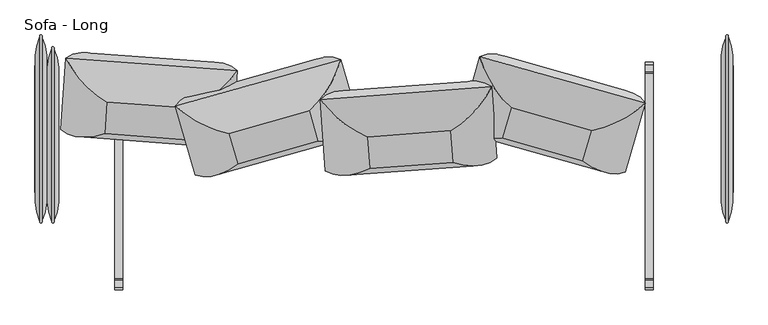
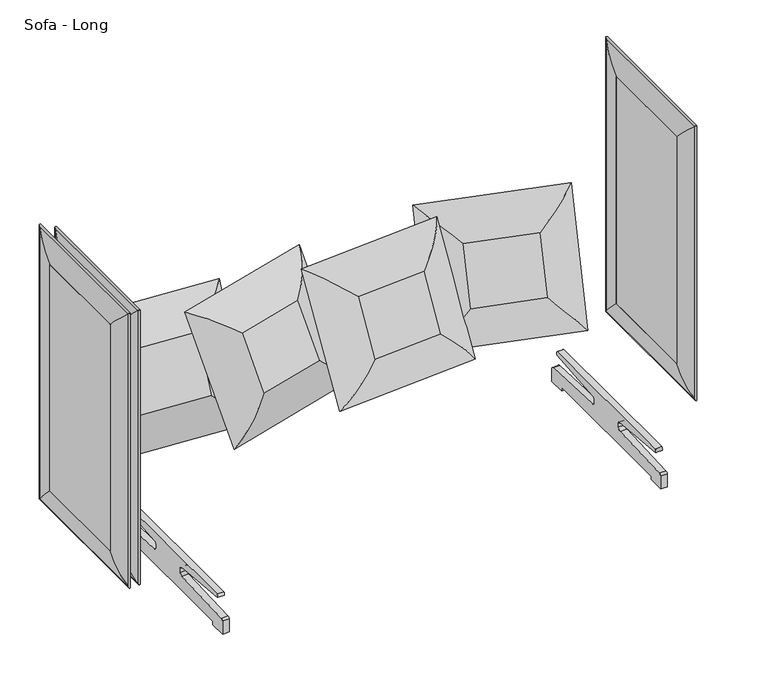
"""IFC4 building model written with IfcOpenShell, lengths in millimetres: furniture geometry, Sofa - Long."""

from ifc_helpers import new_model, si_unit, point, frame, frame_2d, origin, place, context, project, spatial, polyline, circle_curve, ellipse_curve, trimmed, segment, composite_curve, outline, extrude, source, transform, mapped, element, save
from ifc_brep_helpers import plane_surface, cylinder_surface, advanced_brep


def sofa_long_35b5e8c2(model_context):
    return source(origin(), model_context, "Body", "SolidModel", [
        advanced_brep(
        [(1074.0970019, -73.025, 1163.5628297), (1074.0970019, -73.025, 238.959069), (1088.841915, -166.1563317, 145.8277373), (1088.841915, -166.1563317, 1256.6941614), (1110.3029981, -73.025, 1163.5628297), (1110.3029981, -73.025, 238.959069), (1095.558085, -166.1563317, 1256.6941614), (1095.558085, -166.1563317, 145.8277373), (1074.0970019, 330.2, 238.959069), (1088.841915, 423.3313317, 145.8277373), (1110.3029981, 330.2, 238.959069), (1095.558085, 423.3313317, 145.8277373), (1074.0970019, 330.2, 1163.5628297), (1088.841915, 423.3313317, 1256.6941614), (1110.3029981, 330.2, 1163.5628297), (1095.558085, 423.3313317, 1256.6941614)],
        [
            (0, 1),
            (1, 2, ellipse_curve(frame((1257.4943158, -91.7217286, 220.2623404), z_axis=(0.0, -0.7071067811865475, 0.7071067811865475), x_axis=(0.0, 0.7071067811865474, 0.7071067811865476)), 260.707278, 184.3478842)),
            (2, 3),
            (3, 0, ellipse_curve(frame((1257.4943158, -91.7217286, 1182.2595584), z_axis=(0.0, -0.7071067811865475, -0.7071067811865475), x_axis=(0.0, -0.7071067811865474, 0.7071067811865476)), 260.707278, 184.3478842)),
            (4, 5),
            (5, 1),
            (0, 4),
            (6, 7),
            (7, 5, ellipse_curve(frame((926.9056842, -91.7217286, 220.2623404), z_axis=(0.0, -0.7071067811865475, 0.7071067811865475), x_axis=(0.0, 0.7071067811865474, 0.7071067811865476)), 260.707278, 184.3478842)),
            (4, 6, ellipse_curve(frame((926.9056842, -91.7217286, 1182.2595584), z_axis=(0.0, -0.7071067811865475, -0.7071067811865475), x_axis=(0.0, -0.7071067811865474, 0.7071067811865476)), 260.707278, 184.3478842)),
            (2, 7, ellipse_curve(frame((1092.2, -167.7744455, 144.2096235), z_axis=(0.0, -0.7071067811865475, 0.7071067811865475), x_axis=(0.0, 0.7071067811865474, 0.7071067811865476)), 5.2716273, 3.7276034)),
            (6, 3, ellipse_curve(frame((1092.2, -167.7744455, 1258.3122753), z_axis=(0.0, -0.7071067811865475, -0.7071067811865475), x_axis=(0.0, -0.7071067811865474, 0.7071067811865476)), 5.2716273, 3.7276034)),
            (1, 8),
            (8, 9, ellipse_curve(frame((1257.4943158, 348.8967286, 220.2623404), z_axis=(0.0, -0.7071067811865475, -0.7071067811865475), x_axis=(0.0, -0.7071067811865476, 0.7071067811865474)), 260.707278, 184.3478842)),
            (9, 2),
            (5, 10),
            (10, 8),
            (7, 11),
            (11, 10, ellipse_curve(frame((926.9056842, 348.8967286, 220.2623404), z_axis=(0.0, -0.7071067811865475, -0.7071067811865475), x_axis=(0.0, -0.7071067811865476, 0.7071067811865474)), 260.707278, 184.3478842)),
            (9, 11, ellipse_curve(frame((1092.2, 424.9494455, 144.2096235), z_axis=(0.0, -0.7071067811865475, -0.7071067811865475), x_axis=(0.0, -0.7071067811865476, 0.7071067811865474)), 5.2716273, 3.7276034)),
            (8, 12),
            (12, 13, ellipse_curve(frame((1257.4943158, 348.8967286, 1182.2595584), z_axis=(0.0, 0.7071067811865475, -0.7071067811865475), x_axis=(0.0, -0.7071067811865474, -0.7071067811865476)), 260.707278, 184.3478842)),
            (13, 9),
            (10, 14),
            (14, 12),
            (11, 15),
            (15, 14, ellipse_curve(frame((926.9056842, 348.8967286, 1182.2595584), z_axis=(0.0, 0.7071067811865475, -0.7071067811865475), x_axis=(0.0, -0.7071067811865474, -0.7071067811865476)), 260.707278, 184.3478842)),
            (13, 15, ellipse_curve(frame((1092.2, 424.9494455, 1258.3122753), z_axis=(0.0, 0.7071067811865475, -0.7071067811865475), x_axis=(0.0, -0.7071067811865474, -0.7071067811865476)), 5.2716273, 3.7276034)),
            (12, 0),
            (3, 13),
            (14, 4),
            (15, 6),
        ],
        [
            cylinder_surface(frame((1257.4943158, -91.7217286, 1163.5628297), z_axis=(0.0, 0.0, 1.0), x_axis=(-1.0000000000000002, 0.0, 0.0)), 184.3478842),
            plane_surface(frame((1074.0970019, -73.025, 1163.5628297), z_axis=(0.0, 1.0, 0.0), x_axis=(0.0, 0.0, -1.0))),
            cylinder_surface(frame((926.9056842, -91.7217286, 1163.5628297), z_axis=(0.0, 0.0, 1.0), x_axis=(-1.0000000000000002, 0.0, 0.0)), 184.3478842),
            cylinder_surface(frame((1092.2, -167.7744455, 1163.5628297), z_axis=(0.0, 0.0, 1.0), x_axis=(-1.0000000000000002, 0.0, 0.0)), 3.7276034),
            cylinder_surface(frame((1257.4943158, -73.025, 220.2623404), z_axis=(0.0, -1.0000000000000002, 0.0), x_axis=(-1.0000000000000002, 0.0, 0.0)), 184.3478842),
            plane_surface(frame((1074.0970019, -73.025, 238.959069), z_axis=(0.0, 0.0, 1.0), x_axis=(0.0, 1.0, 0.0))),
            cylinder_surface(frame((926.9056842, -73.025, 220.2623404), z_axis=(0.0, -1.0000000000000002, 0.0), x_axis=(-1.0000000000000002, 0.0, 0.0)), 184.3478842),
            cylinder_surface(frame((1092.2, -73.025, 144.2096235), z_axis=(0.0, -1.0000000000000002, 0.0), x_axis=(-1.0000000000000002, 0.0, 0.0)), 3.7276034),
            cylinder_surface(frame((1257.4943158, 348.8967286, 238.959069), z_axis=(0.0, 0.0, -1.0), x_axis=(-1.0000000000000002, 0.0, 0.0)), 184.3478842),
            plane_surface(frame((1074.0970019, 330.2, 238.959069), z_axis=(0.0, -1.0, 0.0), x_axis=(0.0, 0.0, 1.0))),
            cylinder_surface(frame((926.9056842, 348.8967286, 238.959069), z_axis=(0.0, 0.0, -1.0), x_axis=(-1.0000000000000002, 0.0, 0.0)), 184.3478842),
            cylinder_surface(frame((1092.2, 424.9494455, 238.959069), z_axis=(0.0, 0.0, -1.0), x_axis=(-1.0000000000000002, 0.0, 0.0)), 3.7276034),
            cylinder_surface(frame((1257.4943158, 330.2, 1182.2595584), z_axis=(0.0, 1.0000000000000002, 0.0), x_axis=(-1.0000000000000002, 0.0, 0.0)), 184.3478842),
            plane_surface(frame((1074.0970019, 330.2, 1163.5628297), z_axis=(0.0, 0.0, -1.0), x_axis=(0.0, -1.0, 0.0))),
            cylinder_surface(frame((926.9056842, 330.2, 1182.2595584), z_axis=(0.0, 1.0000000000000002, 0.0), x_axis=(-1.0000000000000002, 0.0, 0.0)), 184.3478842),
            cylinder_surface(frame((1092.2, 330.2, 1258.3122753), z_axis=(0.0, 1.0000000000000002, 0.0), x_axis=(-1.0000000000000002, 0.0, 0.0)), 3.7276034),
        ],
        [
            (0, [[1, 2, 3, 4]]),
            (1, [[5, 6, -1, 7]]),
            (2, [[8, 9, -5, 10]]),
            (3, [[-3, 11, -8, 12]]),
            (4, [[13, 14, 15, -2]]),
            (5, [[16, 17, -13, -6]]),
            (6, [[18, 19, -16, -9]]),
            (7, [[-15, 20, -18, -11]]),
            (8, [[21, 22, 23, -14]]),
            (9, [[24, 25, -21, -17]]),
            (10, [[26, 27, -24, -19]]),
            (11, [[-23, 28, -26, -20]]),
            (12, [[29, -4, 30, -22]]),
            (13, [[31, -7, -29, -25]]),
            (14, [[32, -10, -31, -27]]),
            (15, [[-30, -12, -32, -28]]),
        ],
    ),
        extrude(outline(polyline([(1111.25, 330.2), (1111.25, -73.025), (1073.15, -73.025), (1073.15, 330.2), (1111.25, 330.2)])), frame((0.0, 0.0, 238.959069), z_axis=(0.0, 0.0, 1.0), x_axis=(1.0, 0.0, 0.0)), (0.0, 0.0, 1.0), 924.6037607),
        advanced_brep(
        [(-1035.9970019, -73.025, 1163.5628297), (-1050.741915, -166.1563317, 1256.6941614), (-1050.741915, -166.1563317, 145.8277373), (-1035.9970019, -73.025, 238.959069), (-1072.2029981, -73.025, 1163.5628297), (-1072.2029981, -73.025, 238.959069), (-1057.458085, -166.1563317, 1256.6941614), (-1057.458085, -166.1563317, 145.8277373), (-1050.741915, 385.2313317, 145.8277373), (-1035.9970019, 292.1, 238.959069), (-1072.2029981, 292.1, 238.959069), (-1057.458085, 385.2313317, 145.8277373), (-1050.741915, 385.2313317, 1256.6941614), (-1035.9970019, 292.1, 1163.5628297), (-1072.2029981, 292.1, 1163.5628297), (-1057.458085, 385.2313317, 1256.6941614)],
        [
            (0, 1, ellipse_curve(frame((-1219.3943158, -91.7217286, 1182.2595584), z_axis=(0.0, -0.7071067811865475, -0.7071067811865475), x_axis=(0.0, -0.7071067811865474, 0.7071067811865476)), 260.707278, 184.3478842)),
            (1, 2),
            (2, 3, ellipse_curve(frame((-1219.3943158, -91.7217286, 220.2623404), z_axis=(0.0, -0.7071067811865475, 0.7071067811865475), x_axis=(0.0, 0.7071067811865474, 0.7071067811865476)), 260.707278, 184.3478842)),
            (3, 0),
            (4, 0),
            (3, 5),
            (5, 4),
            (6, 4, ellipse_curve(frame((-888.8056842, -91.7217286, 1182.2595584), z_axis=(0.0, -0.7071067811865475, -0.7071067811865475), x_axis=(0.0, -0.7071067811865474, 0.7071067811865476)), 260.707278, 184.3478842)),
            (5, 7, ellipse_curve(frame((-888.8056842, -91.7217286, 220.2623404), z_axis=(0.0, -0.7071067811865475, 0.7071067811865475), x_axis=(0.0, 0.7071067811865474, 0.7071067811865476)), 260.707278, 184.3478842)),
            (7, 6),
            (1, 6, ellipse_curve(frame((-1054.1, -167.7744455, 1258.3122753), z_axis=(0.0, -0.7071067811865475, -0.7071067811865475), x_axis=(0.0, -0.7071067811865474, 0.7071067811865476)), 5.2716273, 3.7276034)),
            (7, 2, ellipse_curve(frame((-1054.1, -167.7744455, 144.2096235), z_axis=(0.0, -0.7071067811865475, 0.7071067811865475), x_axis=(0.0, 0.7071067811865474, 0.7071067811865476)), 5.2716273, 3.7276034)),
            (2, 8),
            (8, 9, ellipse_curve(frame((-1219.3943158, 310.7967286, 220.2623404), z_axis=(0.0, -0.7071067811865475, -0.7071067811865475), x_axis=(0.0, -0.7071067811865476, 0.7071067811865474)), 260.707278, 184.3478842)),
            (9, 3),
            (9, 10),
            (10, 5),
            (10, 11, ellipse_curve(frame((-888.8056842, 310.7967286, 220.2623404), z_axis=(0.0, -0.7071067811865475, -0.7071067811865475), x_axis=(0.0, -0.7071067811865476, 0.7071067811865474)), 260.707278, 184.3478842)),
            (11, 7),
            (11, 8, ellipse_curve(frame((-1054.1, 386.8494455, 144.2096235), z_axis=(0.0, -0.7071067811865475, -0.7071067811865475), x_axis=(0.0, -0.7071067811865476, 0.7071067811865474)), 5.2716273, 3.7276034)),
            (8, 12),
            (12, 13, ellipse_curve(frame((-1219.3943158, 310.7967286, 1182.2595584), z_axis=(0.0, 0.7071067811865475, -0.7071067811865475), x_axis=(0.0, -0.7071067811865474, -0.7071067811865476)), 260.707278, 184.3478842)),
            (13, 9),
            (13, 14),
            (14, 10),
            (14, 15, ellipse_curve(frame((-888.8056842, 310.7967286, 1182.2595584), z_axis=(0.0, 0.7071067811865475, -0.7071067811865475), x_axis=(0.0, -0.7071067811865474, -0.7071067811865476)), 260.707278, 184.3478842)),
            (15, 11),
            (15, 12, ellipse_curve(frame((-1054.1, 386.8494455, 1258.3122753), z_axis=(0.0, 0.7071067811865475, -0.7071067811865475), x_axis=(0.0, -0.7071067811865474, -0.7071067811865476)), 5.2716273, 3.7276034)),
            (12, 1),
            (0, 13),
            (4, 14),
            (6, 15),
        ],
        [
            cylinder_surface(frame((-1219.3943158, -91.7217286, 1163.5628297), z_axis=(0.0, 0.0, 1.0), x_axis=(1.0000000000000002, 0.0, 0.0)), 184.3478842),
            plane_surface(frame((-1035.9970019, -73.025, 1163.5628297), z_axis=(0.0, 1.0, 0.0), x_axis=(0.0, 0.0, -1.0))),
            cylinder_surface(frame((-888.8056842, -91.7217286, 1163.5628297), z_axis=(0.0, 0.0, 1.0), x_axis=(1.0000000000000002, 0.0, 0.0)), 184.3478842),
            cylinder_surface(frame((-1054.1, -167.7744455, 1163.5628297), z_axis=(0.0, 0.0, 1.0), x_axis=(1.0000000000000002, 0.0, 0.0)), 3.7276034),
            cylinder_surface(frame((-1219.3943158, -73.025, 220.2623404), z_axis=(0.0, -1.0000000000000002, 0.0), x_axis=(1.0000000000000002, 0.0, 0.0)), 184.3478842),
            plane_surface(frame((-1035.9970019, -73.025, 238.959069), z_axis=(0.0, 0.0, 1.0), x_axis=(0.0, 1.0, 0.0))),
            cylinder_surface(frame((-888.8056842, -73.025, 220.2623404), z_axis=(0.0, -1.0000000000000002, 0.0), x_axis=(1.0000000000000002, 0.0, 0.0)), 184.3478842),
            cylinder_surface(frame((-1054.1, -73.025, 144.2096235), z_axis=(0.0, -1.0000000000000002, 0.0), x_axis=(1.0000000000000002, 0.0, 0.0)), 3.7276034),
            cylinder_surface(frame((-1219.3943158, 310.7967286, 238.959069), z_axis=(0.0, 0.0, -1.0), x_axis=(1.0000000000000002, 0.0, 0.0)), 184.3478842),
            plane_surface(frame((-1035.9970019, 292.1, 238.959069), z_axis=(0.0, -1.0, 0.0), x_axis=(0.0, 0.0, 1.0))),
            cylinder_surface(frame((-888.8056842, 310.7967286, 238.959069), z_axis=(0.0, 0.0, -1.0), x_axis=(1.0000000000000002, 0.0, 0.0)), 184.3478842),
            cylinder_surface(frame((-1054.1, 386.8494455, 238.959069), z_axis=(0.0, 0.0, -1.0), x_axis=(1.0000000000000002, 0.0, 0.0)), 3.7276034),
            cylinder_surface(frame((-1219.3943158, 292.1, 1182.2595584), z_axis=(0.0, 1.0000000000000002, 0.0), x_axis=(1.0000000000000002, 0.0, 0.0)), 184.3478842),
            plane_surface(frame((-1035.9970019, 292.1, 1163.5628297), z_axis=(0.0, 0.0, -1.0), x_axis=(0.0, -1.0, 0.0))),
            cylinder_surface(frame((-888.8056842, 292.1, 1182.2595584), z_axis=(0.0, 1.0000000000000002, 0.0), x_axis=(1.0000000000000002, 0.0, 0.0)), 184.3478842),
            cylinder_surface(frame((-1054.1, 292.1, 1258.3122753), z_axis=(0.0, 1.0000000000000002, 0.0), x_axis=(1.0000000000000002, 0.0, 0.0)), 3.7276034),
        ],
        [
            (0, [[1, 2, 3, 4]]),
            (1, [[5, -4, 6, 7]]),
            (2, [[8, -7, 9, 10]]),
            (3, [[11, -10, 12, -2]]),
            (4, [[-3, 13, 14, 15]]),
            (5, [[-6, -15, 16, 17]]),
            (6, [[-9, -17, 18, 19]]),
            (7, [[-12, -19, 20, -13]]),
            (8, [[-14, 21, 22, 23]]),
            (9, [[-16, -23, 24, 25]]),
            (10, [[-18, -25, 26, 27]]),
            (11, [[-20, -27, 28, -21]]),
            (12, [[-22, 29, -1, 30]]),
            (13, [[-24, -30, -5, 31]]),
            (14, [[-26, -31, -8, 32]]),
            (15, [[-28, -32, -11, -29]]),
        ],
    ),
        extrude(outline(polyline([(-1073.15, 292.1), (-1035.05, 292.1), (-1035.05, -73.025), (-1073.15, -73.025), (-1073.15, 292.1)])), frame((0.0, 0.0, 238.959069), z_axis=(0.0, 0.0, 1.0), x_axis=(1.0, 0.0, 0.0)), (0.0, 0.0, 1.0), 924.6037607),
        advanced_brep(
        [(-1074.0970019, -73.025, 1163.5628297), (-1088.841915, -166.1563317, 1256.6941614), (-1088.841915, -166.1563317, 145.8277373), (-1074.0970019, -73.025, 238.959069), (-1110.3029981, -73.025, 1163.5628297), (-1110.3029981, -73.025, 238.959069), (-1095.558085, -166.1563317, 1256.6941614), (-1095.558085, -166.1563317, 145.8277373), (-1088.841915, 423.3313317, 145.8277373), (-1074.0970019, 330.2, 238.959069), (-1110.3029981, 330.2, 238.959069), (-1095.558085, 423.3313317, 145.8277373), (-1088.841915, 423.3313317, 1256.6941614), (-1074.0970019, 330.2, 1163.5628297), (-1110.3029981, 330.2, 1163.5628297), (-1095.558085, 423.3313317, 1256.6941614)],
        [
            (0, 1, ellipse_curve(frame((-1257.4943158, -91.7217286, 1182.2595584), z_axis=(0.0, -0.7071067811865475, -0.7071067811865475), x_axis=(0.0, -0.7071067811865474, 0.7071067811865476)), 260.707278, 184.3478842)),
            (1, 2),
            (2, 3, ellipse_curve(frame((-1257.4943158, -91.7217286, 220.2623404), z_axis=(0.0, -0.7071067811865475, 0.7071067811865475), x_axis=(0.0, 0.7071067811865474, 0.7071067811865476)), 260.707278, 184.3478842)),
            (3, 0),
            (4, 0),
            (3, 5),
            (5, 4),
            (6, 4, ellipse_curve(frame((-926.9056842, -91.7217286, 1182.2595584), z_axis=(0.0, -0.7071067811865475, -0.7071067811865475), x_axis=(0.0, -0.7071067811865474, 0.7071067811865476)), 260.707278, 184.3478842)),
            (5, 7, ellipse_curve(frame((-926.9056842, -91.7217286, 220.2623404), z_axis=(0.0, -0.7071067811865475, 0.7071067811865475), x_axis=(0.0, 0.7071067811865474, 0.7071067811865476)), 260.707278, 184.3478842)),
            (7, 6),
            (1, 6, ellipse_curve(frame((-1092.2, -167.7744455, 1258.3122753), z_axis=(0.0, -0.7071067811865475, -0.7071067811865475), x_axis=(0.0, -0.7071067811865474, 0.7071067811865476)), 5.2716273, 3.7276034)),
            (7, 2, ellipse_curve(frame((-1092.2, -167.7744455, 144.2096235), z_axis=(0.0, -0.7071067811865475, 0.7071067811865475), x_axis=(0.0, 0.7071067811865474, 0.7071067811865476)), 5.2716273, 3.7276034)),
            (2, 8),
            (8, 9, ellipse_curve(frame((-1257.4943158, 348.8967286, 220.2623404), z_axis=(0.0, -0.7071067811865475, -0.7071067811865475), x_axis=(0.0, -0.7071067811865476, 0.7071067811865474)), 260.707278, 184.3478842)),
            (9, 3),
            (9, 10),
            (10, 5),
            (10, 11, ellipse_curve(frame((-926.9056842, 348.8967286, 220.2623404), z_axis=(0.0, -0.7071067811865475, -0.7071067811865475), x_axis=(0.0, -0.7071067811865476, 0.7071067811865474)), 260.707278, 184.3478842)),
            (11, 7),
            (11, 8, ellipse_curve(frame((-1092.2, 424.9494455, 144.2096235), z_axis=(0.0, -0.7071067811865475, -0.7071067811865475), x_axis=(0.0, -0.7071067811865476, 0.7071067811865474)), 5.2716273, 3.7276034)),
            (8, 12),
            (12, 13, ellipse_curve(frame((-1257.4943158, 348.8967286, 1182.2595584), z_axis=(0.0, 0.7071067811865475, -0.7071067811865475), x_axis=(0.0, -0.7071067811865474, -0.7071067811865476)), 260.707278, 184.3478842)),
            (13, 9),
            (13, 14),
            (14, 10),
            (14, 15, ellipse_curve(frame((-926.9056842, 348.8967286, 1182.2595584), z_axis=(0.0, 0.7071067811865475, -0.7071067811865475), x_axis=(0.0, -0.7071067811865474, -0.7071067811865476)), 260.707278, 184.3478842)),
            (15, 11),
            (15, 12, ellipse_curve(frame((-1092.2, 424.9494455, 1258.3122753), z_axis=(0.0, 0.7071067811865475, -0.7071067811865475), x_axis=(0.0, -0.7071067811865474, -0.7071067811865476)), 5.2716273, 3.7276034)),
            (12, 1),
            (0, 13),
            (4, 14),
            (6, 15),
        ],
        [
            cylinder_surface(frame((-1257.4943158, -91.7217286, 1163.5628297), z_axis=(0.0, 0.0, 1.0), x_axis=(1.0000000000000002, 0.0, 0.0)), 184.3478842),
            plane_surface(frame((-1074.0970019, -73.025, 1163.5628297), z_axis=(0.0, 1.0, 0.0), x_axis=(0.0, 0.0, -1.0))),
            cylinder_surface(frame((-926.9056842, -91.7217286, 1163.5628297), z_axis=(0.0, 0.0, 1.0), x_axis=(1.0000000000000002, 0.0, 0.0)), 184.3478842),
            cylinder_surface(frame((-1092.2, -167.7744455, 1163.5628297), z_axis=(0.0, 0.0, 1.0), x_axis=(1.0000000000000002, 0.0, 0.0)), 3.7276034),
            cylinder_surface(frame((-1257.4943158, -73.025, 220.2623404), z_axis=(0.0, -1.0000000000000002, 0.0), x_axis=(1.0000000000000002, 0.0, 0.0)), 184.3478842),
            plane_surface(frame((-1074.0970019, -73.025, 238.959069), z_axis=(0.0, 0.0, 1.0), x_axis=(0.0, 1.0, 0.0))),
            cylinder_surface(frame((-926.9056842, -73.025, 220.2623404), z_axis=(0.0, -1.0000000000000002, 0.0), x_axis=(1.0000000000000002, 0.0, 0.0)), 184.3478842),
            cylinder_surface(frame((-1092.2, -73.025, 144.2096235), z_axis=(0.0, -1.0000000000000002, 0.0), x_axis=(1.0000000000000002, 0.0, 0.0)), 3.7276034),
            cylinder_surface(frame((-1257.4943158, 348.8967286, 238.959069), z_axis=(0.0, 0.0, -1.0), x_axis=(1.0000000000000002, 0.0, 0.0)), 184.3478842),
            plane_surface(frame((-1074.0970019, 330.2, 238.959069), z_axis=(0.0, -1.0, 0.0), x_axis=(0.0, 0.0, 1.0))),
            cylinder_surface(frame((-926.9056842, 348.8967286, 238.959069), z_axis=(0.0, 0.0, -1.0), x_axis=(1.0000000000000002, 0.0, 0.0)), 184.3478842),
            cylinder_surface(frame((-1092.2, 424.9494455, 238.959069), z_axis=(0.0, 0.0, -1.0), x_axis=(1.0000000000000002, 0.0, 0.0)), 3.7276034),
            cylinder_surface(frame((-1257.4943158, 330.2, 1182.2595584), z_axis=(0.0, 1.0000000000000002, 0.0), x_axis=(1.0000000000000002, 0.0, 0.0)), 184.3478842),
            plane_surface(frame((-1074.0970019, 330.2, 1163.5628297), z_axis=(0.0, 0.0, -1.0), x_axis=(0.0, -1.0, 0.0))),
            cylinder_surface(frame((-926.9056842, 330.2, 1182.2595584), z_axis=(0.0, 1.0000000000000002, 0.0), x_axis=(1.0000000000000002, 0.0, 0.0)), 184.3478842),
            cylinder_surface(frame((-1092.2, 330.2, 1258.3122753), z_axis=(0.0, 1.0000000000000002, 0.0), x_axis=(1.0000000000000002, 0.0, 0.0)), 3.7276034),
        ],
        [
            (0, [[1, 2, 3, 4]]),
            (1, [[5, -4, 6, 7]]),
            (2, [[8, -7, 9, 10]]),
            (3, [[11, -10, 12, -2]]),
            (4, [[-3, 13, 14, 15]]),
            (5, [[-6, -15, 16, 17]]),
            (6, [[-9, -17, 18, 19]]),
            (7, [[-12, -19, 20, -13]]),
            (8, [[-14, 21, 22, 23]]),
            (9, [[-16, -23, 24, 25]]),
            (10, [[-18, -25, 26, 27]]),
            (11, [[-20, -27, 28, -21]]),
            (12, [[-22, 29, -1, 30]]),
            (13, [[-24, -30, -5, 31]]),
            (14, [[-26, -31, -8, 32]]),
            (15, [[-28, -32, -11, -29]]),
        ],
    ),
        extrude(outline(polyline([(-1111.25, 330.2), (-1073.15, 330.2), (-1073.15, -73.025), (-1111.25, -73.025), (-1111.25, 330.2)])), frame((0.0, 0.0, 238.959069), z_axis=(0.0, 0.0, 1.0), x_axis=(1.0, 0.0, 0.0)), (0.0, 0.0, 1.0), 924.6037607),
        advanced_brep(
        [(-623.1171014, 93.8629965, 601.3597902), (-482.7690071, 86.2369404, 442.9525085), (-466.9059555, 313.9771013, 890.9951012), (-616.097584, 194.639699, 799.6219453), (-612.9217606, 229.2691975, 532.1718162), (-605.9022432, 330.0459001, 730.4339713), (-1012.4666371, 354.4203843, 889.7534724), (-882.0902565, 214.3581599, 799.0165788), (-871.8949156, 349.7643609, 729.8286048), (-1028.3296887, 126.6802234, 441.7108798), (-889.1097739, 113.5814573, 600.7544237), (-878.9144331, 248.9876584, 531.5664497)],
        [
            (0, 1, ellipse_curve(frame((-619.5235832, 264.2774846, 524.923135), z_axis=(0.7274765257201, 0.26797163879018027, 0.6316400124519643), x_axis=(0.6828634467724722, -0.3725223892997128, -0.6284302527189888)), 263.8641638, 186.5801395)),
            (1, 2),
            (2, 3, ellipse_curve(frame((-613.0837781, 356.7314646, 706.8116554), z_axis=(0.682863446772471, -0.3725223892997134, -0.6284302527189898), x_axis=(-0.7274765257201012, -0.26797163879017943, -0.6316400124519633)), 263.8641638, 186.5801395)),
            (3, 0),
            (1, 4, ellipse_curve(frame((-629.1572314, 77.4652488, 615.2730698), z_axis=(0.7274765257201, 0.26797163879018027, 0.6316400124519643), x_axis=(0.6828634467724722, -0.3725223892997128, -0.6284302527189888)), 245.7274984, 173.7555804)),
            (4, 5),
            (5, 2, ellipse_curve(frame((-622.4392797, 173.9124797, 805.0176771), z_axis=(0.682863446772471, -0.3725223892997134, -0.6284302527189898), x_axis=(-0.7274765257201012, -0.26797163879017943, -0.6316400124519633)), 245.7274984, 173.7555804)),
            (2, 6),
            (6, 7, ellipse_curve(frame((-860.7501777, 375.0913696, 706.2479973), z_axis=(0.7274765257201008, 0.26797163879017943, 0.6316400124519638), x_axis=(0.6828634467724717, -0.3725223892997128, -0.6284302527189893)), 263.8641638, 186.5801395)),
            (7, 3),
            (5, 8),
            (8, 6, ellipse_curve(frame((-878.8986441, 192.9242212, 804.4340072), z_axis=(0.7274765257201008, 0.26797163879017943, 0.6316400124519638), x_axis=(0.6828634467724717, -0.3725223892997128, -0.6284302527189893)), 245.7274984, 173.7555804)),
            (6, 9),
            (9, 10, ellipse_curve(frame((-867.1899828, 282.6373896, 524.3594769), z_axis=(-0.6828634467724729, 0.3725223892997124, 0.6284302527189884), x_axis=(0.7274765257200996, 0.2679716387901802, 0.631640012451965)), 263.8641638, 186.5801395)),
            (10, 7),
            (8, 11),
            (11, 9, ellipse_curve(frame((-885.6165957, 96.4769903, 614.6893999), z_axis=(-0.6828634467724729, 0.3725223892997124, 0.6284302527189884), x_axis=(0.7274765257200996, 0.2679716387901802, 0.631640012451965)), 245.7274984, 173.7555804)),
            (0, 10),
            (9, 1),
            (11, 4),
        ],
        [
            cylinder_surface(frame((-619.8134394, 260.1161233, 516.7363177), z_axis=(-0.03154621065347943, -0.4528976705718505, -0.8910042292739123), x_axis=(-0.9972609583279474, 0.07392854466343413, -0.0022696428731658037)), 186.5801395),
            cylinder_surface(frame((-629.3080143, 75.3005129, 611.0142959), z_axis=(-0.03154621065347943, -0.4528976705718505, -0.8910042292739123), x_axis=(-0.9972609583279474, 0.07392854466343413, -0.0022696428731658037)), 173.7555804),
            cylinder_surface(frame((-603.9206417, 356.0521867, 706.8325096), z_axis=(0.9972609583279473, -0.0739285446634347, 0.0022696428731643573), x_axis=(-0.03154621065348094, -0.45289767057184993, -0.8910042292739123)), 186.5801395),
            cylinder_surface(frame((-617.6726256, 173.55912, 805.0285254), z_axis=(0.9972609583279473, -0.0739285446634347, 0.0022696428731643573), x_axis=(-0.03154621065348094, -0.45289767057184993, -0.8910042292739123)), 173.7555804),
            cylinder_surface(frame((-860.4603216, 379.2527309, 714.4348146), z_axis=(0.03154621065347814, 0.4528976705718502, 0.8910042292739125), x_axis=(0.9972609583279475, -0.07392854466343347, 0.0022696428731668883)), 186.5801395),
            cylinder_surface(frame((-878.7478612, 195.0889571, 808.6927811), z_axis=(0.03154621065347814, 0.4528976705718502, 0.8910042292739125), x_axis=(0.9972609583279475, -0.07392854466343347, 0.0022696428731668883)), 173.7555804),
            cylinder_surface(frame((-876.3531192, 283.3166675, 524.3386227), z_axis=(-0.9972609583279473, 0.07392854466343284, -0.00226964287316752), x_axis=(0.03154621065347727, 0.45289767057184993, 0.8910042292739123)), 186.5801395),
            cylinder_surface(frame((-890.3832498, 96.83035, 614.6785516), z_axis=(-0.9972609583279473, 0.07392854466343284, -0.00226964287316752), x_axis=(0.03154621065347727, 0.45289767057184993, 0.8910042292739123)), 173.7555804),
            plane_surface(frame((-889.1097739, 113.5814573, 600.7544237), z_axis=(-0.06689856192947163, -0.8884921329277704, 0.4539893304222359), x_axis=(0.9972609583279469, -0.0739285446634333, 0.0022696428731668085))),
            plane_surface(frame((-878.9144331, 248.9876584, 531.5664497), z_axis=(0.06689856192947163, 0.8884921329277704, -0.4539893304222359), x_axis=(-0.9972609583279469, 0.0739285446634333, -0.0022696428731668085))),
        ],
        [
            (0, [[1, 2, 3, 4]]),
            (1, [[-2, 5, 6, 7]]),
            (2, [[-3, 8, 9, 10]]),
            (3, [[-7, 11, 12, -8]]),
            (4, [[-9, 13, 14, 15]]),
            (5, [[-12, 16, 17, -13]]),
            (6, [[-1, 18, -14, 19]]),
            (7, [[-5, -19, -17, 20]]),
            (8, [[-4, -10, -15, -18]]),
            (9, [[-6, -20, -16, -11]]),
        ],
    ),
        advanced_brep(
        [(-46.1421462, 2.8439931, 601.3597902), (-53.1616636, 103.6206957, 799.6219453), (-202.3532921, 222.9580979, 890.9951012), (-186.4902406, -4.782063, 442.9525085), (-63.3570045, 239.0268967, 730.4339713), (-56.3374871, 138.2501941, 532.1718162), (212.8310088, 123.3391565, 799.0165788), (343.2073895, 263.401381, 889.7534724), (202.635668, 258.7453576, 729.8286048), (219.8505263, 22.5624539, 600.7544237), (359.070441, 35.6612201, 441.7108798), (209.6551854, 157.968655, 531.5664497)],
        [
            (0, 1),
            (1, 2, ellipse_curve(frame((-56.1754695, 265.7124612, 706.8116554), z_axis=(-0.682863446772471, -0.3725223892997134, -0.6284302527189898), x_axis=(0.7274765257201012, -0.26797163879017943, -0.6316400124519633)), 263.8641638, 186.5801395)),
            (2, 3),
            (3, 0, ellipse_curve(frame((-49.7356644, 173.2584812, 524.923135), z_axis=(-0.7274765257201, 0.26797163879018027, 0.6316400124519643), x_axis=(-0.6828634467724722, -0.3725223892997128, -0.6284302527189888)), 263.8641638, 186.5801395)),
            (2, 4, ellipse_curve(frame((-46.8199679, 82.8934763, 805.0176771), z_axis=(-0.682863446772471, -0.3725223892997134, -0.6284302527189898), x_axis=(0.7274765257201012, -0.26797163879017943, -0.6316400124519633)), 245.7274984, 173.7555804)),
            (4, 5),
            (5, 3, ellipse_curve(frame((-40.1020163, -13.5537546, 615.2730698), z_axis=(-0.7274765257201, 0.26797163879018027, 0.6316400124519643), x_axis=(-0.6828634467724722, -0.3725223892997128, -0.6284302527189888)), 245.7274984, 173.7555804)),
            (1, 6),
            (6, 7, ellipse_curve(frame((191.4909301, 284.0723663, 706.2479973), z_axis=(-0.7274765257201008, 0.26797163879017943, 0.6316400124519638), x_axis=(-0.6828634467724717, -0.3725223892997128, -0.6284302527189893)), 263.8641638, 186.5801395)),
            (7, 2),
            (7, 8, ellipse_curve(frame((209.6393964, 101.9052179, 804.4340072), z_axis=(-0.7274765257201008, 0.26797163879017943, 0.6316400124519638), x_axis=(-0.6828634467724717, -0.3725223892997128, -0.6284302527189893)), 245.7274984, 173.7555804)),
            (8, 4),
            (6, 9),
            (9, 10, ellipse_curve(frame((197.9307352, 191.6183862, 524.3594769), z_axis=(0.6828634467724729, 0.3725223892997124, 0.6284302527189884), x_axis=(-0.7274765257200996, 0.2679716387901802, 0.631640012451965)), 263.8641638, 186.5801395)),
            (10, 7),
            (10, 11, ellipse_curve(frame((216.3573481, 5.4579869, 614.6893999), z_axis=(0.6828634467724729, 0.3725223892997124, 0.6284302527189884), x_axis=(-0.7274765257200996, 0.2679716387901802, 0.631640012451965)), 245.7274984, 173.7555804)),
            (11, 8),
            (3, 10),
            (9, 0),
            (5, 11),
        ],
        [
            cylinder_surface(frame((-49.4458083, 169.0971199, 516.7363177), z_axis=(0.03154621065347943, -0.4528976705718505, -0.8910042292739123), x_axis=(0.9972609583279474, 0.07392854466343413, -0.0022696428731658037)), 186.5801395),
            cylinder_surface(frame((-39.9512334, -15.7184904, 611.0142959), z_axis=(0.03154621065347943, -0.4528976705718505, -0.8910042292739123), x_axis=(0.9972609583279474, 0.07392854466343413, -0.0022696428731658037)), 173.7555804),
            cylinder_surface(frame((-65.338606, 265.0331833, 706.8325096), z_axis=(-0.9972609583279473, -0.0739285446634347, 0.0022696428731643573), x_axis=(0.03154621065348094, -0.45289767057184993, -0.8910042292739123)), 186.5801395),
            cylinder_surface(frame((-51.586622, 82.5401167, 805.0285254), z_axis=(-0.9972609583279473, -0.0739285446634347, 0.0022696428731643573), x_axis=(0.03154621065348094, -0.45289767057184993, -0.8910042292739123)), 173.7555804),
            cylinder_surface(frame((191.2010739, 288.2337275, 714.4348146), z_axis=(-0.03154621065347814, 0.4528976705718502, 0.8910042292739125), x_axis=(-0.9972609583279475, -0.07392854466343347, 0.0022696428731668883)), 186.5801395),
            cylinder_surface(frame((209.4886135, 104.0699537, 808.6927811), z_axis=(-0.03154621065347814, 0.4528976705718502, 0.8910042292739125), x_axis=(-0.9972609583279475, -0.07392854466343347, 0.0022696428731668883)), 173.7555804),
            cylinder_surface(frame((207.0938716, 192.2976642, 524.3386227), z_axis=(0.9972609583279473, 0.07392854466343284, -0.00226964287316752), x_axis=(-0.03154621065347727, 0.45289767057184993, 0.8910042292739123)), 186.5801395),
            cylinder_surface(frame((221.1240021, 5.8113466, 614.6785516), z_axis=(0.9972609583279473, 0.07392854466343284, -0.00226964287316752), x_axis=(-0.03154621065347727, 0.45289767057184993, 0.8910042292739123)), 173.7555804),
            plane_surface(frame((219.8505263, 22.5624539, 600.7544237), z_axis=(0.06689856192947163, -0.8884921329277704, 0.4539893304222359), x_axis=(-0.9972609583279469, -0.0739285446634333, 0.0022696428731668085))),
            plane_surface(frame((209.6551854, 157.968655, 531.5664497), z_axis=(-0.06689856192947163, 0.8884921329277704, -0.4539893304222359), x_axis=(0.9972609583279469, 0.0739285446634333, -0.0022696428731668085))),
        ],
        [
            (0, [[1, 2, 3, 4]]),
            (1, [[5, 6, 7, -3]]),
            (2, [[8, 9, 10, -2]]),
            (3, [[-10, 11, 12, -5]]),
            (4, [[13, 14, 15, -9]]),
            (5, [[-15, 16, 17, -11]]),
            (6, [[18, -14, 19, -4]]),
            (7, [[20, -16, -18, -7]]),
            (8, [[-19, -13, -8, -1]]),
            (9, [[-12, -17, -20, -6]]),
        ],
    ),
        advanced_brep(
        [(376.6555495, 99.1542064, 601.3597902), (404.527023, 196.2541465, 799.6219453), (305.1485461, 359.421165, 890.9951012), (242.1632161, 139.9899332, 442.9525085), (441.2581848, 326.9813664, 730.4339713), (413.3867112, 229.8814263, 532.1718162), (661.2224853, 123.8085867, 799.0165788), (831.6403102, 210.8326771, 889.7534724), (697.9536471, 254.5358066, 729.8286048), (633.3510118, 26.7086466, 600.7544237), (768.6549802, -8.5985547, 441.7108798), (670.0821735, 157.4358665, 531.5664497)],
        [
            (0, 1),
            (1, 2, ellipse_curve(frame((457.1336207, 349.6013648, 706.8116554), z_axis=(-0.7690919029168296, -0.11650348636550059, -0.6284302527189898), x_axis=(0.5919526247079211, -0.500622597143883, -0.6316400124519633)), 263.8641638, 186.5801395)),
            (2, 3),
            (3, 0, ellipse_curve(frame((431.5639346, 260.520499, 524.923135), z_axis=(-0.5919526247079198, 0.5006225971438834, 0.6316400124519643), x_axis=(-0.7690919029168306, -0.11650348636549968, -0.6284302527189888)), 263.8641638, 186.5801395)),
            (2, 4, ellipse_curve(frame((403.3971411, 174.6079438, 805.0176771), z_axis=(-0.7690919029168296, -0.11650348636550059, -0.6284302527189898), x_axis=(0.5919526247079211, -0.500622597143883, -0.6316400124519633)), 245.7274984, 173.7555804)),
            (4, 5),
            (5, 3, ellipse_curve(frame((376.723055, 81.6795178, 615.2730698), z_axis=(-0.5919526247079198, 0.5006225971438834, 0.6316400124519643), x_axis=(-0.7690919029168306, -0.11650348636549968, -0.6284302527189888)), 245.7274984, 173.7555804)),
            (1, 6),
            (6, 7, ellipse_curve(frame((696.1433662, 282.1471346, 706.2479973), z_axis=(-0.5919526247079208, 0.5006225971438829, 0.6316400124519639), x_axis=(-0.7690919029168299, -0.11650348636549994, -0.6284302527189896)), 263.8641638, 186.5801395)),
            (7, 2),
            (7, 8, ellipse_curve(frame((650.8925119, 104.7588685, 804.4340072), z_axis=(-0.5919526247079208, 0.5006225971438829, 0.6316400124519639), x_axis=(-0.7690919029168299, -0.11650348636549994, -0.6284302527189896)), 245.7274984, 173.7555804)),
            (8, 4),
            (6, 9),
            (9, 10, ellipse_curve(frame((670.57368, 193.0662688, 524.3594769), z_axis=(0.769091902916831, 0.11650348636549901, 0.6284302527189884), x_axis=(-0.5919526247079193, 0.5006225971438832, 0.6316400124519651)), 263.8641638, 186.5801395)),
            (10, 7),
            (10, 11, ellipse_curve(frame((624.2184258, 11.8304425, 614.6893999), z_axis=(0.769091902916831, 0.11650348636549901, 0.6284302527189884), x_axis=(-0.5919526247079193, 0.5006225971438832, 0.6316400124519651)), 245.7274984, 173.7555804)),
            (11, 8),
            (3, 10),
            (9, 0),
            (5, 11),
        ],
        [
            cylinder_surface(frame((430.4130409, 256.5109619, 516.7363177), z_axis=(-0.1252563848360104, -0.43637403849658074, -0.8910042292739123), x_axis=(0.9624038149803031, -0.2716132280147413, -0.0022696428731658037)), 186.5801395),
            cylinder_surface(frame((376.1243613, 79.5937607, 611.0142959), z_axis=(-0.1252563848360104, -0.43637403849658074, -0.8910042292739123), x_axis=(0.9624038149803031, -0.2716132280147413, -0.0022696428731658037)), 173.7555804),
            cylinder_surface(frame((448.2907623, 352.0970296, 706.8325096), z_axis=(-0.9624038149803031, 0.2716132280147407, 0.0022696428731643573), x_axis=(-0.1252563848360088, -0.43637403849658074, -0.8910042292739123)), 186.5801395),
            cylinder_surface(frame((398.7970954, 175.906186, 805.0285254), z_axis=(-0.9624038149803031, 0.2716132280147407, 0.0022696428731643573), x_axis=(-0.1252563848360088, -0.43637403849658074, -0.8910042292739123)), 173.7555804),
            cylinder_surface(frame((697.2942599, 286.1566718, 714.4348146), z_axis=(0.12525638483601154, 0.4363740384965801, 0.8910042292739125), x_axis=(-0.9624038149803029, 0.2716132280147419, 0.0022696428731668883)), 186.5801395),
            cylinder_surface(frame((651.4912056, 106.8446255, 808.6927811), z_axis=(0.12525638483601154, 0.4363740384965801, 0.8910042292739125), x_axis=(-0.9624038149803029, 0.2716132280147419, 0.0022696428731668883)), 173.7555804),
            cylinder_surface(frame((679.4165385, 190.570604, 524.3386227), z_axis=(0.9624038149803026, -0.2716132280147424, -0.00226964287316752), x_axis=(0.12525638483601226, 0.43637403849657946, 0.8910042292739123)), 186.5801395),
            cylinder_surface(frame((628.8184716, 10.5322002, 614.6785516), z_axis=(0.9624038149803026, -0.2716132280147424, -0.00226964287316752), x_axis=(0.12525638483601226, 0.43637403849657946, 0.8910042292739123)), 173.7555804),
            plane_surface(frame((633.3510118, 26.7086466, 600.7544237), z_axis=(-0.24101812166136574, -0.8577901566779589, 0.4539893304222359), x_axis=(-0.9624038149803024, 0.2716132280147419, 0.0022696428731668085))),
            plane_surface(frame((670.0821735, 157.4358665, 531.5664497), z_axis=(0.24101812166136574, 0.8577901566779589, -0.4539893304222359), x_axis=(0.9624038149803024, -0.2716132280147419, -0.0022696428731668085))),
        ],
        [
            (0, [[1, 2, 3, 4]]),
            (1, [[5, 6, 7, -3]]),
            (2, [[8, 9, 10, -2]]),
            (3, [[-10, 11, 12, -5]]),
            (4, [[13, 14, 15, -9]]),
            (5, [[-15, 16, 17, -11]]),
            (6, [[18, -14, 19, -4]]),
            (7, [[20, -16, -18, -7]]),
            (8, [[-19, -13, -8, -1]]),
            (9, [[-12, -17, -20, -6]]),
        ],
    ),
        advanced_brep(
        [(-208.9661217, 90.1333186, 601.3597902), (-74.4737882, 130.9690454, 442.9525085), (-137.4591182, 350.4002772, 890.9951012), (-236.8375952, 187.2332588, 799.6219453), (-245.6972834, 220.8605385, 532.1718162), (-273.5687569, 317.9604786, 730.4339713), (-663.9508824, 201.8117893, 889.7534724), (-493.5330575, 114.787699, 799.0165788), (-530.2642193, 245.5149188, 729.8286048), (-600.9655524, -17.6194425, 441.7108798), (-465.661584, 17.6877588, 600.7544237), (-502.3927457, 148.4149787, 531.5664497)],
        [
            (0, 1, ellipse_curve(frame((-263.8745068, 251.4996112, 524.923135), z_axis=(0.5919526247079198, 0.5006225971438834, 0.6316400124519643), x_axis=(0.7690919029168306, -0.11650348636549968, -0.6284302527189888)), 263.8641638, 186.5801395)),
            (1, 2),
            (2, 3, ellipse_curve(frame((-289.4441929, 340.5804771, 706.8116554), z_axis=(0.7690919029168296, -0.11650348636550059, -0.6284302527189898), x_axis=(-0.5919526247079211, -0.500622597143883, -0.6316400124519633)), 263.8641638, 186.5801395)),
            (3, 0),
            (1, 4, ellipse_curve(frame((-209.0336272, 72.65863, 615.2730698), z_axis=(0.5919526247079198, 0.5006225971438834, 0.6316400124519643), x_axis=(0.7690919029168306, -0.11650348636549968, -0.6284302527189888)), 245.7274984, 173.7555804)),
            (4, 5),
            (5, 2, ellipse_curve(frame((-235.7077133, 165.587056, 805.0176771), z_axis=(0.7690919029168296, -0.11650348636550059, -0.6284302527189898), x_axis=(-0.5919526247079211, -0.500622597143883, -0.6316400124519633)), 245.7274984, 173.7555804)),
            (2, 6),
            (6, 7, ellipse_curve(frame((-528.4539384, 273.1262469, 706.2479973), z_axis=(0.5919526247079208, 0.5006225971438829, 0.6316400124519639), x_axis=(0.7690919029168299, -0.11650348636549994, -0.6284302527189896)), 263.8641638, 186.5801395)),
            (7, 3),
            (5, 8),
            (8, 6, ellipse_curve(frame((-483.2030841, 95.7379807, 804.4340072), z_axis=(0.5919526247079208, 0.5006225971438829, 0.6316400124519639), x_axis=(0.7690919029168299, -0.11650348636549994, -0.6284302527189896)), 245.7274984, 173.7555804)),
            (6, 9),
            (9, 10, ellipse_curve(frame((-502.8842522, 184.045381, 524.3594769), z_axis=(-0.769091902916831, 0.11650348636549901, 0.6284302527189884), x_axis=(0.5919526247079193, 0.5006225971438832, 0.6316400124519651)), 263.8641638, 186.5801395)),
            (10, 7),
            (8, 11),
            (11, 9, ellipse_curve(frame((-456.528998, 2.8095547, 614.6893999), z_axis=(-0.769091902916831, 0.11650348636549901, 0.6284302527189884), x_axis=(0.5919526247079193, 0.5006225971438832, 0.6316400124519651)), 245.7274984, 173.7555804)),
            (0, 10),
            (9, 1),
            (11, 4),
        ],
        [
            cylinder_surface(frame((-262.7236131, 247.4900741, 516.7363177), z_axis=(0.1252563848360104, -0.43637403849658074, -0.8910042292739123), x_axis=(-0.9624038149803031, -0.2716132280147413, -0.0022696428731658037)), 186.5801395),
            cylinder_surface(frame((-208.4349335, 70.572873, 611.0142959), z_axis=(0.1252563848360104, -0.43637403849658074, -0.8910042292739123), x_axis=(-0.9624038149803031, -0.2716132280147413, -0.0022696428731658037)), 173.7555804),
            cylinder_surface(frame((-280.6013345, 343.0761419, 706.8325096), z_axis=(0.9624038149803031, 0.2716132280147407, 0.0022696428731643573), x_axis=(0.1252563848360088, -0.43637403849658074, -0.8910042292739123)), 186.5801395),
            cylinder_surface(frame((-231.1076676, 166.8852983, 805.0285254), z_axis=(0.9624038149803031, 0.2716132280147407, 0.0022696428731643573), x_axis=(0.1252563848360088, -0.43637403849658074, -0.8910042292739123)), 173.7555804),
            cylinder_surface(frame((-529.6048321, 277.135784, 714.4348146), z_axis=(-0.12525638483601154, 0.4363740384965801, 0.8910042292739125), x_axis=(0.9624038149803029, 0.2716132280147419, 0.0022696428731668883)), 186.5801395),
            cylinder_surface(frame((-483.8017778, 97.8237378, 808.6927811), z_axis=(-0.12525638483601154, 0.4363740384965801, 0.8910042292739125), x_axis=(0.9624038149803029, 0.2716132280147419, 0.0022696428731668883)), 173.7555804),
            cylinder_surface(frame((-511.7271107, 181.5497162, 524.3386227), z_axis=(-0.9624038149803026, -0.2716132280147424, -0.00226964287316752), x_axis=(-0.12525638483601226, 0.43637403849657946, 0.8910042292739123)), 186.5801395),
            cylinder_surface(frame((-461.1290437, 1.5113125, 614.6785516), z_axis=(-0.9624038149803026, -0.2716132280147424, -0.00226964287316752), x_axis=(-0.12525638483601226, 0.43637403849657946, 0.8910042292739123)), 173.7555804),
            plane_surface(frame((-465.661584, 17.6877588, 600.7544237), z_axis=(0.24101812166136574, -0.8577901566779589, 0.4539893304222359), x_axis=(0.9624038149803024, 0.2716132280147419, 0.0022696428731668085))),
            plane_surface(frame((-502.3927457, 148.4149787, 531.5664497), z_axis=(-0.24101812166136574, 0.8577901566779589, -0.4539893304222359), x_axis=(-0.9624038149803024, -0.2716132280147419, -0.0022696428731668085))),
        ],
        [
            (0, [[1, 2, 3, 4]]),
            (1, [[-2, 5, 6, 7]]),
            (2, [[-3, 8, 9, 10]]),
            (3, [[-7, 11, 12, -8]]),
            (4, [[-9, 13, 14, 15]]),
            (5, [[-12, 16, 17, -13]]),
            (6, [[-1, 18, -14, 19]]),
            (7, [[-5, -19, -17, 20]]),
            (8, [[-4, -10, -15, -18]]),
            (9, [[-6, -20, -16, -11]]),
        ],
    ),
        extrude(outline(composite_curve([segment(trimmed(circle_curve(frame_2d((301.6025981, 135.0287131)), 8.2813281), [point((305.0998594, 142.5353474))], [point((304.4846526, 127.2650698))], False, "CARTESIAN"), True, "CONTINUOUS"), segment(polyline([(304.4846526, 127.2650698), (67.9746703, 105.9960919)]), True, "CONTINUOUS"), segment(trimmed(circle_curve(frame_2d((67.9746703, 97.554557)), 8.4415349), [point((67.9746703, 105.9960919))], [point((59.5331354, 97.554557))], True, "CARTESIAN"), True, "CONTINUOUS"), segment(polyline([(59.5331354, 97.554557), (59.5331354, 81.9730579)]), True, "CONTINUOUS"), segment(trimmed(circle_curve(frame_2d((70.0389157, 81.9730579)), 10.5057802), [point((59.5331354, 81.9730579))], [point((70.0389157, 71.4672776))], True, "CARTESIAN"), True, "CONTINUOUS"), segment(polyline([(70.0389157, 71.4672776), (333.1747619, 60.2417308)]), True, "CONTINUOUS"), segment(trimmed(circle_curve(frame_2d((332.8044735, 51.5618743)), 8.6877512), [point((333.1747619, 60.2417308))], [point((341.2881636, 53.4337784))], False, "CARTESIAN"), True, "CONTINUOUS"), segment(polyline([(341.2881636, 53.4337784), (341.2881636, 0.0), (277.6339056, 0.0), (277.6339056, 13.4697401), (-320.5207421, 13.4697401), (-320.5207421, 0.0), (-384.175, 0.0), (-384.175, 53.4337784)]), True, "CONTINUOUS"), segment(trimmed(circle_curve(frame_2d((-375.69131, 51.5618743)), 8.6877512), [point((-384.175, 53.4337784))], [point((-376.0615983, 60.2417308))], False, "CARTESIAN"), True, "CONTINUOUS"), segment(polyline([(-376.0615983, 60.2417308), (-112.9257521, 71.4672776)]), True, "CONTINUOUS"), segment(trimmed(circle_curve(frame_2d((-112.9257521, 81.9730579)), 10.5057802), [point((-112.9257521, 71.4672776))], [point((-102.4199718, 81.9730579))], True, "CARTESIAN"), True, "CONTINUOUS"), segment(polyline([(-102.4199718, 81.9730579), (-102.4199718, 97.554557)]), True, "CONTINUOUS"), segment(trimmed(circle_curve(frame_2d((-110.8615067, 97.554557)), 8.4415349), [point((-102.4199718, 97.554557))], [point((-110.8615067, 105.9960919))], True, "CARTESIAN"), True, "CONTINUOUS"), segment(polyline([(-110.8615067, 105.9960919), (-347.371489, 127.2650698)]), True, "CONTINUOUS"), segment(trimmed(circle_curve(frame_2d((-344.4894345, 135.0287131)), 8.2813281), [point((-347.371489, 127.2650698))], [point((-347.9866958, 142.5353474))], False, "CARTESIAN"), True, "CONTINUOUS"), segment(polyline([(-347.9866958, 142.5353474), (305.0998594, 142.5353474)]), True, "CONTINUOUS")], self_intersect=False)), frame((831.85, 0.0, 0.0), z_axis=(1.0, 0.0, 0.0), x_axis=(0.0, 1.0, 0.0)), (0.0, 0.0, 1.0), 25.4),
        extrude(outline(composite_curve([segment(trimmed(circle_curve(frame_2d((301.6025981, 135.0287131)), 8.2813281), [point((305.0998594, 142.5353474))], [point((304.4846526, 127.2650698))], False, "CARTESIAN"), True, "CONTINUOUS"), segment(polyline([(304.4846526, 127.2650698), (67.9746703, 105.9960919)]), True, "CONTINUOUS"), segment(trimmed(circle_curve(frame_2d((67.9746703, 97.554557)), 8.4415349), [point((67.9746703, 105.9960919))], [point((59.5331354, 97.554557))], True, "CARTESIAN"), True, "CONTINUOUS"), segment(polyline([(59.5331354, 97.554557), (59.5331354, 81.9730579)]), True, "CONTINUOUS"), segment(trimmed(circle_curve(frame_2d((70.0389157, 81.9730579)), 10.5057802), [point((59.5331354, 81.9730579))], [point((70.0389157, 71.4672776))], True, "CARTESIAN"), True, "CONTINUOUS"), segment(polyline([(70.0389157, 71.4672776), (333.1747619, 60.2417308)]), True, "CONTINUOUS"), segment(trimmed(circle_curve(frame_2d((332.8044735, 51.5618743)), 8.6877512), [point((333.1747619, 60.2417308))], [point((341.2881636, 53.4337784))], False, "CARTESIAN"), True, "CONTINUOUS"), segment(polyline([(341.2881636, 53.4337784), (341.2881636, 0.0), (277.6339056, 0.0), (277.6339056, 13.4697401), (-320.5207421, 13.4697401), (-320.5207421, 0.0), (-384.175, 0.0), (-384.175, 53.4337784)]), True, "CONTINUOUS"), segment(trimmed(circle_curve(frame_2d((-375.69131, 51.5618743)), 8.6877512), [point((-384.175, 53.4337784))], [point((-376.0615983, 60.2417308))], False, "CARTESIAN"), True, "CONTINUOUS"), segment(polyline([(-376.0615983, 60.2417308), (-112.9257521, 71.4672776)]), True, "CONTINUOUS"), segment(trimmed(circle_curve(frame_2d((-112.9257521, 81.9730579)), 10.5057802), [point((-112.9257521, 71.4672776))], [point((-102.4199718, 81.9730579))], True, "CARTESIAN"), True, "CONTINUOUS"), segment(polyline([(-102.4199718, 81.9730579), (-102.4199718, 97.554557)]), True, "CONTINUOUS"), segment(trimmed(circle_curve(frame_2d((-110.8615067, 97.554557)), 8.4415349), [point((-102.4199718, 97.554557))], [point((-110.8615067, 105.9960919))], True, "CARTESIAN"), True, "CONTINUOUS"), segment(polyline([(-110.8615067, 105.9960919), (-347.371489, 127.2650698)]), True, "CONTINUOUS"), segment(trimmed(circle_curve(frame_2d((-344.4894345, 135.0287131)), 8.2813281), [point((-347.371489, 127.2650698))], [point((-347.9866958, 142.5353474))], False, "CARTESIAN"), True, "CONTINUOUS"), segment(polyline([(-347.9866958, 142.5353474), (305.0998594, 142.5353474)]), True, "CONTINUOUS")], self_intersect=False)), frame((-857.25, 0.0, 0.0), z_axis=(1.0, 0.0, 0.0), x_axis=(0.0, 1.0, 0.0)), (0.0, 0.0, 1.0), 25.4),
    ])


if __name__ == "__main__":
    model = new_model("IFC4")
    model_context = context("Model", 3, world=origin())
    ifc_project = project(units=[si_unit("LENGTHUNIT", "METRE", prefix="MILLI")], contexts=[model_context])
    site = spatial("IfcSite", under=ifc_project)
    building = spatial("IfcBuilding", under=site)
    placement = place(None, origin())
    sofa_long_shape = sofa_long_35b5e8c2(model_context)
    element("IfcFurniture", 1, ObjectType="Sofa - Long", at=placement, inside=building, context=model_context, shape_type="MappedRepresentation", body=[
        mapped(sofa_long_shape, transform((0.0, 0.0, 0.0), x_axis=(1.0, 0.0, 0.0), y_axis=(0.0, 1.0, 0.0), z_axis=(0.0, 0.0, 1.0))),
    ])
    save(model, "model.ifc")
